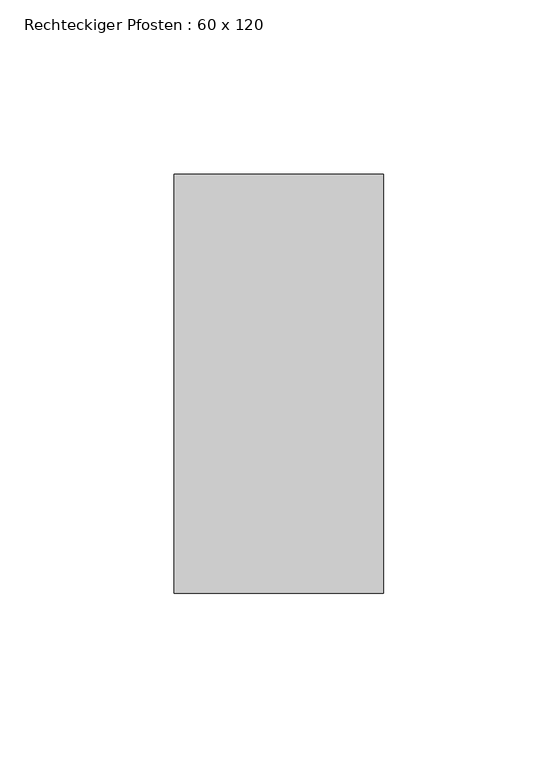
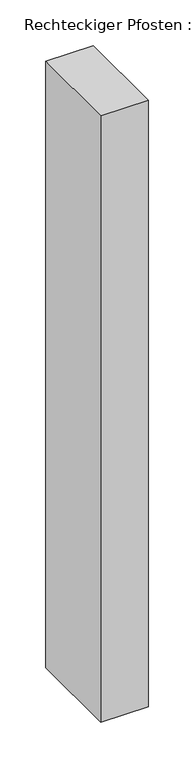
"""IFC4 building model written with IfcOpenShell, lengths in millimetres: member geometry, Rechteckiger Pfosten : 60 x 120."""

from ifc_helpers import new_model, si_unit, frame, origin, place, context, project, spatial, polyline, outline, extrude, source, transform, mapped, element, save


def rechteckiger_pfosten_60_x_120_92a9257c(model_context):
    return source(origin(), model_context, "Body", "SweptSolid", [
        extrude(outline(polyline([(0.0, 60.0), (0.0, -60.0), (-60.0, -60.0), (-60.0, 60.0), (0.0, 60.0)])), frame((0.0, 0.0, -810.0), z_axis=(0.0, 0.0, 1.0), x_axis=(1.0, 0.0, 0.0)), (0.0, 0.0, 1.0), 810.0),
    ])


if __name__ == "__main__":
    model = new_model("IFC4")
    model_context = context("Model", 3, world=origin())
    ifc_project = project(units=[si_unit("LENGTHUNIT", "METRE", prefix="MILLI")], contexts=[model_context])
    site = spatial("IfcSite", under=ifc_project)
    building = spatial("IfcBuilding", under=site)
    placement = place(None, origin())
    rechteckiger_pfosten_60_x_120_shape = rechteckiger_pfosten_60_x_120_92a9257c(model_context)
    element("IfcMember", 1, ObjectType="Rechteckiger Pfosten : 60 x 120", at=placement, inside=building, context=model_context, shape_type="MappedRepresentation", body=[
        mapped(rechteckiger_pfosten_60_x_120_shape, transform((0.0, 0.0, 0.0), x_axis=(1.0, 0.0, 0.0), y_axis=(0.0, 1.0, 0.0), z_axis=(0.0, 0.0, 1.0))),
    ])
    save(model, "model.ifc")
